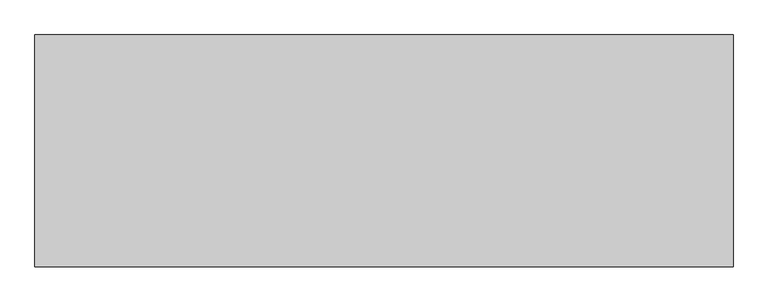
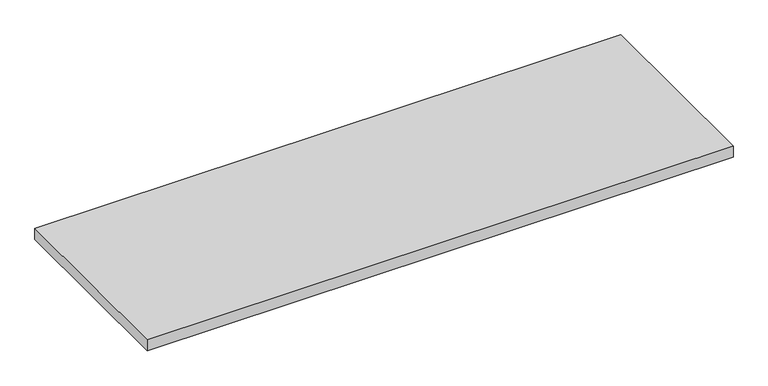
"""IFC4 building model written with IfcOpenShell, lengths in millimetres: furniture geometry."""

from ifc_helpers import new_model, si_unit, frame, origin, place, context, project, spatial, polyline, outline, extrude, source, transform, mapped, element, save


def furniture_a9b3a5b1(model_context):
    return source(origin(), model_context, "Body", "SweptSolid", [
        extrude(outline(polyline([(760.476, 833.501), (760.476, 328.549), (-760.476, 328.549), (-760.476, 833.501), (760.476, 833.501)])), frame((0.0, 0.0, 1011.809), z_axis=(0.0, 0.0, 1.0), x_axis=(1.0, 0.0, 0.0)), (0.0, 0.0, 1.0), 29.591),
    ])


if __name__ == "__main__":
    model = new_model("IFC4")
    model_context = context("Model", 3, world=origin())
    ifc_project = project(units=[si_unit("LENGTHUNIT", "METRE", prefix="MILLI")], contexts=[model_context])
    site = spatial("IfcSite", under=ifc_project)
    building = spatial("IfcBuilding", under=site)
    placement = place(None, origin())
    furniture_shape = furniture_a9b3a5b1(model_context)
    element("IfcFurniture", 1, at=placement, inside=building, context=model_context, shape_type="MappedRepresentation", body=[
        mapped(furniture_shape, transform((0.0, 0.0, 0.0), x_axis=(1.0, 0.0, 0.0), y_axis=(0.0, 1.0, 0.0), z_axis=(0.0, 0.0, 1.0))),
    ])
    save(model, "model.ifc")
